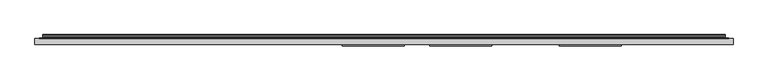
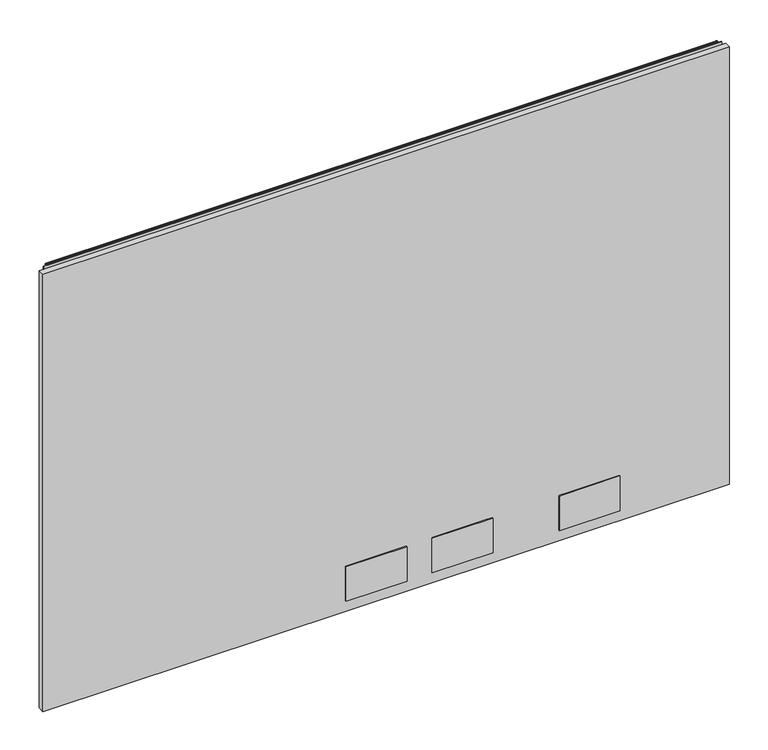
"""IFC4 building model written with IfcOpenShell, lengths in millimetres: furniture geometry."""

from ifc_helpers import new_model, si_unit, point, frame, frame_2d, origin, place, context, project, spatial, polyline, circle_curve, trimmed, segment, composite_curve, outline, extrude, source, transform, mapped, element, save


def furniture_704b3e94(model_context):
    return source(origin(), model_context, "Body", "SweptSolid", [
        extrude(outline(polyline([(1.778, 1.45288), (1.778, 10.9778796), (1065.0219835, 10.9778796), (1065.0219835, 1.45288), (1.778, 1.45288)])), frame((0.0, 0.0, 12.7), z_axis=(0.0, 0.0, 1.0), x_axis=(1.0, 0.0, 0.0)), (0.0, 0.0, 1.0), 715.7592871),
        extrude(outline(polyline([(564.261016, -0.57912), (470.027015, -0.57912), (470.027015, 1.45288), (564.261016, 1.45288), (564.261016, -0.57912)])), frame((0.0, 0.0, 30.2259996), z_axis=(0.0, 0.0, 1.0), x_axis=(1.0, 0.0, 0.0)), (0.0, 0.0, 1.0), 56.6420005),
        extrude(outline(polyline([(697.611016, -0.57912), (603.377015, -0.57912), (603.377015, 1.45288), (697.611016, 1.45288), (697.611016, -0.57912)])), frame((0.0, 0.0, 30.2259996), z_axis=(0.0, 0.0, 1.0), x_axis=(1.0, 0.0, 0.0)), (0.0, 0.0, 1.0), 56.6420005),
        extrude(outline(polyline([(894.4610281, -0.57912), (800.2270271, -0.57912), (800.2270271, 1.45288), (894.4610281, 1.45288), (894.4610281, -0.57912)])), frame((0.0, 0.0, 30.2259996), z_axis=(0.0, 0.0, 1.0), x_axis=(1.0, 0.0, 0.0)), (0.0, 0.0, 1.0), 56.6420005),
        extrude(outline(composite_curve([segment(polyline([(10.9778796, 732.8853024), (10.9778796, 733.8277903)]), True, "CONTINUOUS"), segment(trimmed(circle_curve(frame_2d((11.6164846, 733.8277903)), 0.638605), [point((10.9778796, 733.8277903))], [point((11.6164846, 734.4663953))], False, "CARTESIAN"), True, "CONTINUOUS"), segment(polyline([(11.6164846, 734.4663953), (13.251317, 734.4663953)]), True, "CONTINUOUS"), segment(trimmed(circle_curve(frame_2d((13.251317, 732.0930753)), 2.37332), [point((13.251317, 734.4663953))], [point((15.6071079, 731.8051575))], False, "CARTESIAN"), True, "CONTINUOUS"), segment(polyline([(15.6071079, 731.8051575), (15.2080413, 728.5399287)]), True, "CONTINUOUS"), segment(trimmed(circle_curve(frame_2d((17.5068753, 728.2589719)), 2.3159393), [point((15.2080413, 728.5399287))], [point((15.5012134, 727.1010018))], True, "CARTESIAN"), True, "CONTINUOUS"), segment(polyline([(15.5012134, 727.1010018), (16.6600675, 725.0938087), (15.9781592, 724.7001085), (14.819305, 726.7073016)]), True, "CONTINUOUS"), segment(trimmed(circle_curve(frame_2d((17.5068753, 728.2589719)), 3.1033393), [point((14.819305, 726.7073016))], [point((14.4264569, 728.6354516))], False, "CARTESIAN"), True, "CONTINUOUS"), segment(polyline([(14.4264569, 728.6354516), (14.8255236, 731.9006804)]), True, "CONTINUOUS"), segment(trimmed(circle_curve(frame_2d((13.251317, 732.0930753)), 1.58592), [point((14.8255236, 731.9006804))], [point((13.251317, 733.6789953))], True, "CARTESIAN"), True, "CONTINUOUS"), segment(polyline([(13.251317, 733.6789953), (11.7652796, 733.6789953), (11.7652796, 732.8853024), (10.9778796, 732.8853024)]), True, "CONTINUOUS")], self_intersect=False)), frame((13.7160002, 0.0, 0.0), z_axis=(1.0, 0.0, 0.0), x_axis=(0.0, 1.0, 0.0)), (0.0, 0.0, 1.0), 1039.3680076),
        extrude(outline(polyline([(8.1280002, 10.9778796), (8.1280002, 11.7652796), (1058.6720078, 11.7652796), (1058.6720078, 10.9778796), (8.1280002, 10.9778796)])), frame((0.0, 0.0, 702.2084079), z_axis=(0.0, 0.0, 1.0), x_axis=(1.0, 0.0, 0.0)), (0.0, 0.0, 1.0), 30.8009179),
    ])


if __name__ == "__main__":
    model = new_model("IFC4")
    model_context = context("Model", 3, world=origin())
    ifc_project = project(units=[si_unit("LENGTHUNIT", "METRE", prefix="MILLI")], contexts=[model_context])
    site = spatial("IfcSite", under=ifc_project)
    building = spatial("IfcBuilding", under=site)
    placement = place(None, origin())
    furniture_shape = furniture_704b3e94(model_context)
    element("IfcFurniture", 1, at=placement, inside=building, context=model_context, shape_type="MappedRepresentation", body=[
        mapped(furniture_shape, transform((0.0, 0.0, 0.0), x_axis=(1.0, 0.0, 0.0), y_axis=(0.0, 1.0, 0.0), z_axis=(0.0, 0.0, 1.0))),
    ])
    save(model, "model.ifc")
